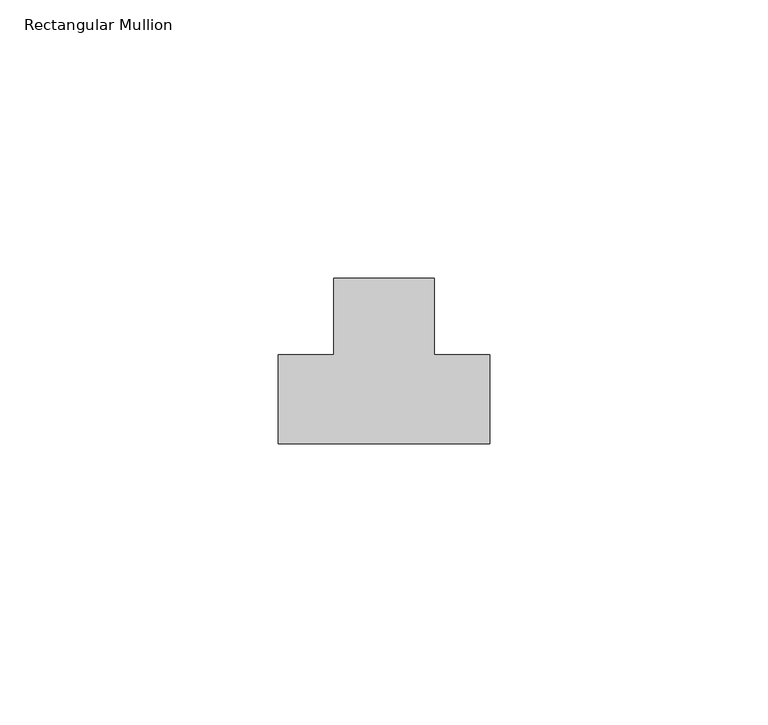
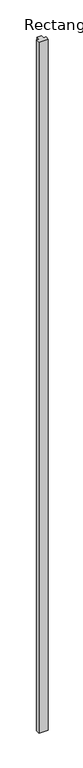
"""IFC4 building model written with IfcOpenShell, lengths in millimetres: member geometry, Rectangular Mullion."""

from ifc_helpers import new_model, si_unit, frame, origin, place, context, project, spatial, polyline, outline, extrude, source, transform, mapped, element, save


def rectangular_mullion_35eb3c2c(model_context):
    return source(origin(), model_context, "Body", "SweptSolid", [
        extrude(outline(polyline([(-14.333, -32.0), (-52.333, -32.0), (-52.333, -16.0), (-42.333, -16.0), (-42.333, -2.3), (-24.333, -2.3), (-24.333, -16.0), (-14.333, -16.0), (-14.333, -32.0)])), frame((0.0, 0.0, -3000.0), z_axis=(0.0, 0.0, 1.0), x_axis=(1.0, 0.0, 0.0)), (0.0, 0.0, 1.0), 3000.0),
    ])


if __name__ == "__main__":
    model = new_model("IFC4")
    model_context = context("Model", 3, world=origin())
    ifc_project = project(units=[si_unit("LENGTHUNIT", "METRE", prefix="MILLI")], contexts=[model_context])
    site = spatial("IfcSite", under=ifc_project)
    building = spatial("IfcBuilding", under=site)
    placement = place(None, origin())
    rectangular_mullion_shape = rectangular_mullion_35eb3c2c(model_context)
    element("IfcMember", 1, ObjectType="Rectangular Mullion", at=placement, inside=building, context=model_context, shape_type="MappedRepresentation", body=[
        mapped(rectangular_mullion_shape, transform((0.0, 0.0, 0.0), x_axis=(1.0, 0.0, 0.0), y_axis=(0.0, 1.0, 0.0), z_axis=(0.0, 0.0, 1.0))),
    ])
    save(model, "model.ifc")
